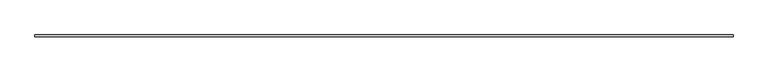
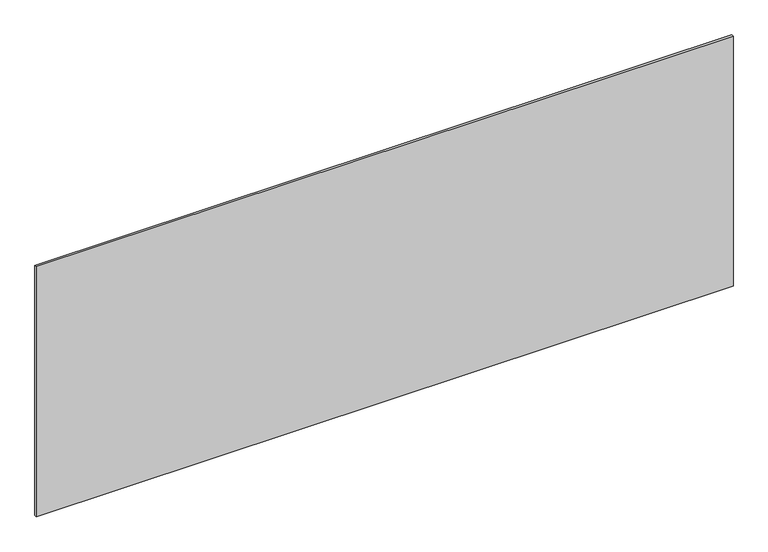
"""IFC4 building model written with IfcOpenShell, lengths in millimetres: plate geometry."""

from ifc_helpers import new_model, si_unit, origin, origin_with_axes, place, context, project, spatial, polyline, outline, extrude, source, transform, mapped, element, save


def plate_c4eb16ae(model_context):
    return source(origin(), model_context, "Body", "SweptSolid", [
        extrude(outline(polyline([(1715.0, -5.0), (-1715.0, -5.0), (-1715.0, 5.0), (1715.0, 5.0), (1715.0, -5.0)])), origin_with_axes(), (0.0, 0.0, 1.0), 1302.0081059),
    ])


if __name__ == "__main__":
    model = new_model("IFC4")
    model_context = context("Model", 3, world=origin())
    ifc_project = project(units=[si_unit("LENGTHUNIT", "METRE", prefix="MILLI")], contexts=[model_context])
    site = spatial("IfcSite", under=ifc_project)
    building = spatial("IfcBuilding", under=site)
    placement = place(None, origin())
    plate_shape = plate_c4eb16ae(model_context)
    element("IfcPlate", 1, at=placement, inside=building, context=model_context, shape_type="MappedRepresentation", body=[
        mapped(plate_shape, transform((0.0, 0.0, 0.0), x_axis=(1.0, 0.0, 0.0), y_axis=(0.0, 1.0, 0.0), z_axis=(0.0, 0.0, 1.0))),
    ])
    save(model, "model.ifc")
